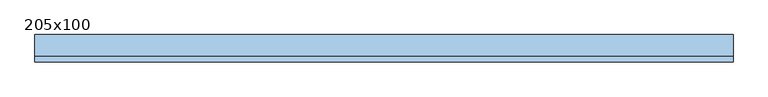
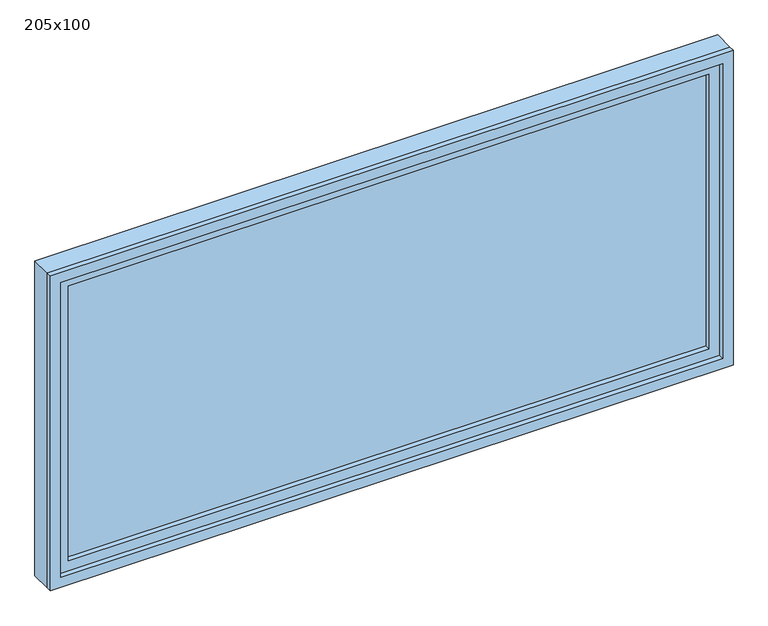
"""IFC4 building model written with IfcOpenShell, lengths in millimetres: window geometry, 205x100."""

from ifc_helpers import new_model, si_unit, frame, origin, place, context, project, spatial, polyline, outline, extrude, source, transform, mapped, element, save


def window_205x100_0f3d3bb7(model_context):
    return source(origin(), model_context, "Body", "SweptSolid", [
        extrude(outline(polyline([(923.4, -7.625), (-999.6, -7.625), (-999.6, 5.075), (923.4, 5.075), (923.4, -7.625)])), frame((0.0, 0.0, 977.9), z_axis=(0.0, 0.0, 1.0), x_axis=(1.0, 0.0, 0.0)), (0.0, 0.0, 1.0), 873.0),
        extrude(outline(polyline([(1895.35, -1044.05), (933.45, -1044.05), (933.45, 967.85), (1895.35, 967.85), (1895.35, -1044.05)]), holes=[polyline([(1850.9, -999.6), (1850.9, 923.4), (977.9, 923.4), (977.9, -999.6), (1850.9, -999.6)])]), frame((0.0, -23.5, 0.0), z_axis=(0.0, 1.0, 0.0), x_axis=(0.0, 0.0, 1.0)), (0.0, 0.0, 1.0), 44.45),
        extrude(outline(polyline([(1914.4, -1063.1), (914.4, -1063.1), (914.4, 986.9), (1914.4, 986.9), (1914.4, -1063.1)]), holes=[polyline([(1882.65, -1031.35), (1882.65, 955.15), (946.15, 955.15), (946.15, -1031.35), (1882.65, -1031.35)])]), frame((0.0, -40.0, 0.0), z_axis=(0.0, 1.0, 0.0), x_axis=(0.0, 0.0, 1.0)), (0.0, 0.0, 1.0), 16.5),
        extrude(outline(polyline([(1914.4, 986.9), (1914.4, -1063.1), (914.4, -1063.1), (914.4, 986.9), (1914.4, 986.9)]), holes=[polyline([(1895.35, 967.85), (933.45, 967.85), (933.45, -1044.05), (1895.35, -1044.05), (1895.35, 967.85)])]), frame((0.0, -23.5, 0.0), z_axis=(0.0, 1.0, 0.0), x_axis=(0.0, 0.0, 1.0)), (0.0, 0.0, 1.0), 63.5),
    ])


if __name__ == "__main__":
    model = new_model("IFC4")
    model_context = context("Model", 3, world=origin())
    ifc_project = project(units=[si_unit("LENGTHUNIT", "METRE", prefix="MILLI")], contexts=[model_context])
    site = spatial("IfcSite", under=ifc_project)
    building = spatial("IfcBuilding", under=site)
    placement = place(None, origin())
    window_205x100_shape = window_205x100_0f3d3bb7(model_context)
    element("IfcWindow", 1, ObjectType="205x100", at=placement, inside=building, context=model_context, shape_type="MappedRepresentation", body=[
        mapped(window_205x100_shape, transform((0.0, 0.0, 0.0), x_axis=(1.0, 0.0, 0.0), y_axis=(0.0, 1.0, 0.0), z_axis=(0.0, 0.0, 1.0))),
    ])
    save(model, "model.ifc")
